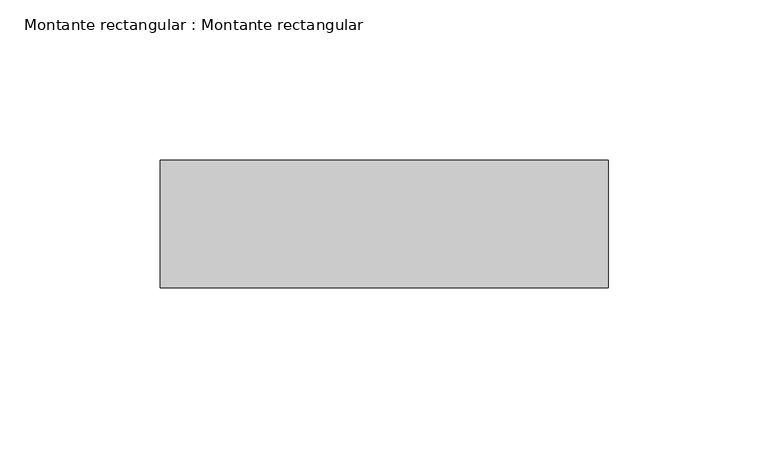
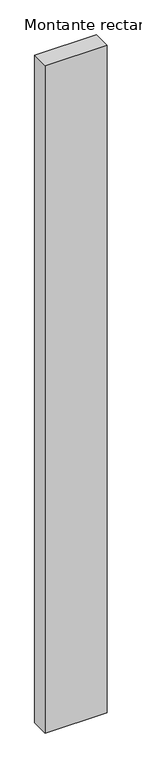
"""IFC4 building model written with IfcOpenShell, lengths in millimetres: member geometry, Montante rectangular : Montante rectangular."""

from ifc_helpers import new_model, si_unit, frame, origin, place, context, project, spatial, polyline, outline, extrude, source, transform, mapped, element, save


def montante_rectangular_montante_rectangular_feae3724(model_context):
    return source(origin(), model_context, "Body", "SweptSolid", [
        extrude(outline(polyline([(0.0, 4.614603), (-140.0, 4.614603), (-140.0, 44.614603), (0.0, 44.614603), (0.0, 4.614603)])), frame((0.0, 0.0, -1594.4303161), z_axis=(0.0, 0.0, 1.0), x_axis=(1.0, 0.0, 0.0)), (0.0, 0.0, 1.0), 1594.4303161),
    ])


if __name__ == "__main__":
    model = new_model("IFC4")
    model_context = context("Model", 3, world=origin())
    ifc_project = project(units=[si_unit("LENGTHUNIT", "METRE", prefix="MILLI")], contexts=[model_context])
    site = spatial("IfcSite", under=ifc_project)
    building = spatial("IfcBuilding", under=site)
    placement = place(None, origin())
    montante_rectangular_montante_rectangular_shape = montante_rectangular_montante_rectangular_feae3724(model_context)
    element("IfcMember", 1, ObjectType="Montante rectangular : Montante rectangular", at=placement, inside=building, context=model_context, shape_type="MappedRepresentation", body=[
        mapped(montante_rectangular_montante_rectangular_shape, transform((0.0, 0.0, 0.0), x_axis=(1.0, 0.0, 0.0), y_axis=(0.0, 1.0, 0.0), z_axis=(0.0, 0.0, 1.0))),
    ])
    save(model, "model.ifc")
